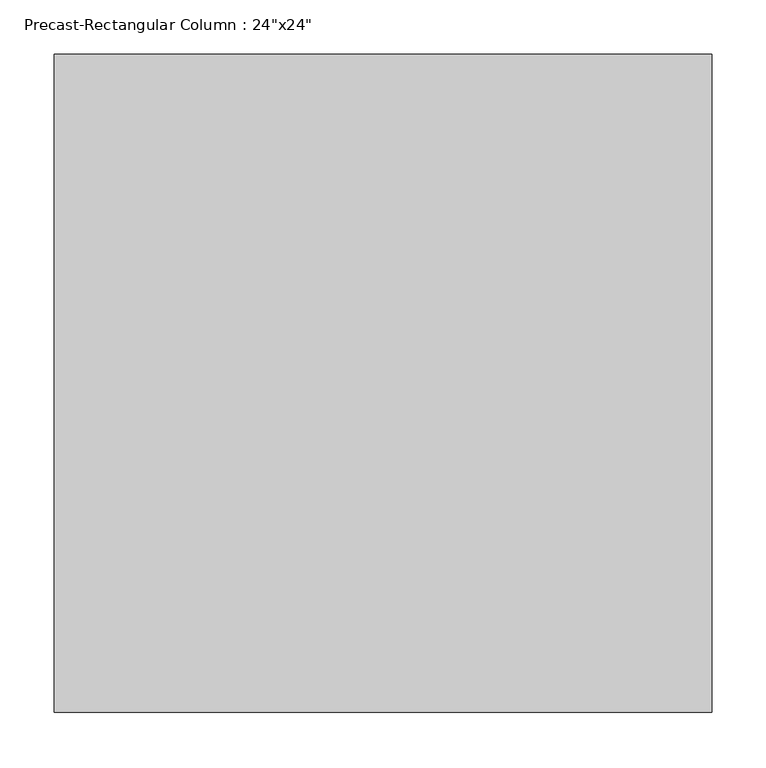
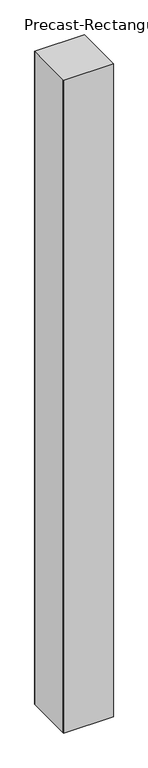
"""IFC4 building model written with IfcOpenShell, lengths in millimetres: column geometry."""

from ifc_helpers import new_model, si_unit, frame, origin, place, context, project, spatial, polyline, outline, extrude, source, transform, mapped, element, save


def column_bf3f98d7(model_context):
    return source(origin(), model_context, "Body", "SweptSolid", [
        extrude(outline(polyline([(304.8, 304.8), (304.8, 294.8), (304.8, -294.8), (304.8, -304.8), (-304.8, -304.8), (-304.8, -294.8), (-304.8, 294.8), (-304.8, 304.8), (304.8, 304.8)])), frame((0.0, 0.0, -2946.4), z_axis=(0.0, 0.0, 1.0), x_axis=(1.0, 0.0, 0.0)), (0.0, 0.0, 1.0), 8443.8132813),
    ])


if __name__ == "__main__":
    model = new_model("IFC4")
    model_context = context("Model", 3, world=origin())
    ifc_project = project(units=[si_unit("LENGTHUNIT", "METRE", prefix="MILLI")], contexts=[model_context])
    site = spatial("IfcSite", under=ifc_project)
    building = spatial("IfcBuilding", under=site)
    placement = place(None, origin())
    column_shape = column_bf3f98d7(model_context)
    element("IfcColumn", 1, ObjectType="Precast-Rectangular Column : 24\"x24\"", at=placement, inside=building, context=model_context, shape_type="MappedRepresentation", body=[
        mapped(column_shape, transform((0.0, 0.0, 0.0), x_axis=(1.0, 0.0, 0.0), y_axis=(0.0, 1.0, 0.0), z_axis=(0.0, 0.0, 1.0))),
    ])
    save(model, "model.ifc")
